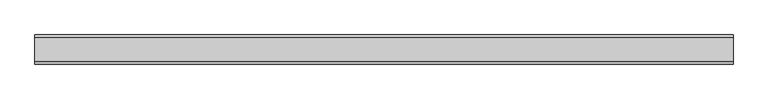
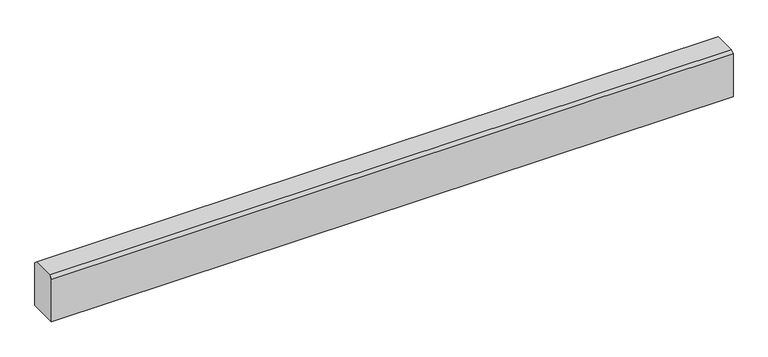
"""IFC4 building model written with IfcOpenShell, lengths in millimetres: proxy geometry."""

from ifc_helpers import new_model, si_unit, frame, origin, place, context, project, spatial, polyline, outline, extrude, source, transform, mapped, element, save


def generic_models_471865d8(model_context):
    return source(origin(), model_context, "Body", "SweptSolid", [
        extrude(outline(polyline([(-10955.0540151, -20.0), (-10955.0540151, 138.3316546), (-10944.7856698, 148.6), (-10865.3223642, 148.6), (-10855.0540151, 138.3316509), (-10855.0540151, -20.0), (-10955.0540151, -20.0)])), frame((1584.6309284, 0.0, 0.0), z_axis=(1.0, 0.0, 0.0), x_axis=(0.0, 1.0, 0.0)), (0.0, 0.0, 1.0), 2400.0),
    ])


if __name__ == "__main__":
    model = new_model("IFC4")
    model_context = context("Model", 3, world=origin())
    ifc_project = project(units=[si_unit("LENGTHUNIT", "METRE", prefix="MILLI")], contexts=[model_context])
    site = spatial("IfcSite", under=ifc_project)
    building = spatial("IfcBuilding", under=site)
    placement = place(None, origin())
    generic_models_shape = generic_models_471865d8(model_context)
    element("IfcBuildingElementProxy", 1, Name="Generic Models", at=placement, inside=building, context=model_context, shape_type="MappedRepresentation", body=[
        mapped(generic_models_shape, transform((0.0, 0.0, 0.0), x_axis=(1.0, 0.0, 0.0), y_axis=(0.0, 1.0, 0.0), z_axis=(0.0, 0.0, 1.0))),
    ])
    save(model, "model.ifc")
